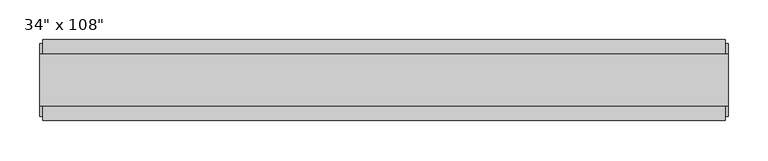
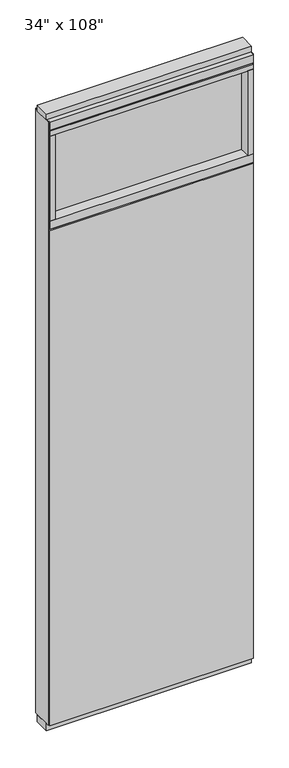
"""IFC4 building model written with IfcOpenShell, lengths in millimetres: furniture geometry."""

from ifc_helpers import new_model, si_unit, frame, origin, origin_with_axes, place, context, project, spatial, polyline, outline, extrude, source, transform, mapped, element, save


def furniture_3fbfcf09(model_context):
    return source(origin(), model_context, "Body", "SweptSolid", [
        extrude(outline(polyline([(367.8264771, 46.2822784), (367.8264771, 33.5822784), (-487.8995229, 33.5822784), (-487.8995229, 46.2822784), (367.8264771, 46.2822784)])), frame((0.0, 0.0, 31.75), z_axis=(0.0, 0.0, 1.0), x_axis=(1.0, 0.0, 0.0)), (0.0, 0.0, 1.0), 2203.45),
        extrude(outline(polyline([(367.8264771, -55.3177216), (-487.8995229, -55.3177216), (-487.8995229, -42.6177216), (367.8264771, -42.6177216), (367.8264771, -55.3177216)])), frame((0.0, 0.0, 31.75), z_axis=(0.0, 0.0, 1.0), x_axis=(1.0, 0.0, 0.0)), (0.0, 0.0, 1.0), 2203.45),
        extrude(outline(polyline([(345.6014771, -9.5977216), (-465.6745229, -9.5977216), (-465.6745229, 0.5622784), (345.6014771, 0.5622784), (345.6014771, -9.5977216)])), frame((0.0, 0.0, 2276.475), z_axis=(0.0, 0.0, 1.0), x_axis=(1.0, 0.0, 0.0)), (0.0, 0.0, 1.0), 377.825),
        extrude(outline(polyline([(345.6014771, -55.3177216), (345.6014771, 46.2822784), (367.8264771, 46.2822784), (367.8264771, -55.3177216), (345.6014771, -55.3177216)])), frame((0.0, 0.0, 2276.475), z_axis=(0.0, 0.0, 1.0), x_axis=(1.0, 0.0, 0.0)), (0.0, 0.0, 1.0), 377.825),
        extrude(outline(polyline([(-55.3177216, 2240.153), (-55.3177216, 2276.475), (46.2822784, 2276.475), (46.2822784, 2240.153), (41.3292784, 2240.153), (41.3292784, 2235.2), (-50.3647216, 2235.2), (-50.3647216, 2240.153), (-55.3177216, 2240.153)])), frame((-487.8995229, 0.0, 0.0), z_axis=(1.0, 0.0, 0.0), x_axis=(0.0, 1.0, 0.0)), (0.0, 0.0, 1.0), 855.726),
        extrude(outline(polyline([(-465.6745229, -55.3177216), (-487.8995229, -55.3177216), (-487.8995229, 46.2822784), (-465.6745229, 46.2822784), (-465.6745229, -55.3177216)])), frame((0.0, 0.0, 2276.475), z_axis=(0.0, 0.0, 1.0), x_axis=(1.0, 0.0, 0.0)), (0.0, 0.0, 1.0), 377.825),
        extrude(outline(polyline([(371.7634771, 27.9942784), (371.7634771, -37.0297216), (-491.8365229, -37.0297216), (-491.8365229, 27.9942784), (371.7634771, 27.9942784)])), origin_with_axes(), (0.0, 0.0, 1.0), 31.75),
        extrude(outline(polyline([(-491.8365229, -37.0297216), (-491.8365229, 27.9942784), (371.7634771, 27.9942784), (371.7634771, -37.0297216), (-491.8365229, -37.0297216)])), frame((0.0, 0.0, 2717.8), z_axis=(0.0, 0.0, 1.0), x_axis=(1.0, 0.0, 0.0)), (0.0, 0.0, 1.0), 25.4),
        extrude(outline(polyline([(-55.3177216, 2681.478), (-55.3177216, 2717.8), (46.2822784, 2717.8), (46.2822784, 2681.478), (41.3292784, 2681.478), (41.3292784, 2676.525), (-50.3647216, 2676.525), (-50.3647216, 2681.478), (-55.3177216, 2681.478)])), frame((-487.8995229, 0.0, 0.0), z_axis=(1.0, 0.0, 0.0), x_axis=(0.0, 1.0, 0.0)), (0.0, 0.0, 1.0), 855.726),
        extrude(outline(polyline([(367.8264771, 46.2822784), (367.8264771, -55.3177216), (-487.8995229, -55.3177216), (-487.8995229, 46.2822784), (367.8264771, 46.2822784)])), frame((0.0, 0.0, 2654.3), z_axis=(0.0, 0.0, 1.0), x_axis=(1.0, 0.0, 0.0)), (0.0, 0.0, 1.0), 22.225),
        extrude(outline(polyline([(371.7634771, -50.3647216), (367.8264771, -50.3647216), (367.8264771, 41.3292784), (371.7634771, 41.3292784), (371.7634771, -50.3647216)])), frame((0.0, 0.0, 31.75), z_axis=(0.0, 0.0, 1.0), x_axis=(1.0, 0.0, 0.0)), (0.0, 0.0, 1.0), 2686.05),
        extrude(outline(polyline([(-491.8365229, -50.3647216), (-491.8365229, 41.3292784), (-487.8995229, 41.3292784), (-487.8995229, -50.3647216), (-491.8365229, -50.3647216)])), frame((0.0, 0.0, 31.75), z_axis=(0.0, 0.0, 1.0), x_axis=(1.0, 0.0, 0.0)), (0.0, 0.0, 1.0), 2686.05),
    ])


if __name__ == "__main__":
    model = new_model("IFC4")
    model_context = context("Model", 3, world=origin())
    ifc_project = project(units=[si_unit("LENGTHUNIT", "METRE", prefix="MILLI")], contexts=[model_context])
    site = spatial("IfcSite", under=ifc_project)
    building = spatial("IfcBuilding", under=site)
    placement = place(None, origin())
    furniture_shape = furniture_3fbfcf09(model_context)
    element("IfcFurniture", 1, ObjectType="34\" x 108\"", at=placement, inside=building, context=model_context, shape_type="MappedRepresentation", body=[
        mapped(furniture_shape, transform((0.0, 0.0, 0.0), x_axis=(1.0, 0.0, 0.0), y_axis=(0.0, 1.0, 0.0), z_axis=(0.0, 0.0, 1.0))),
    ])
    save(model, "model.ifc")
